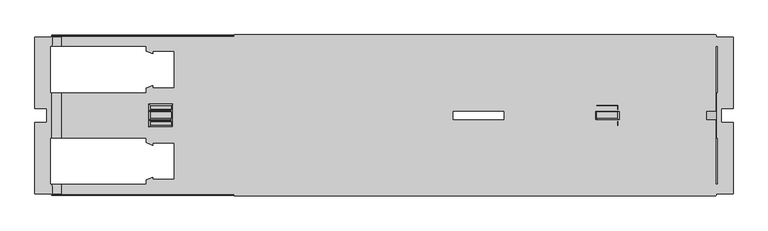
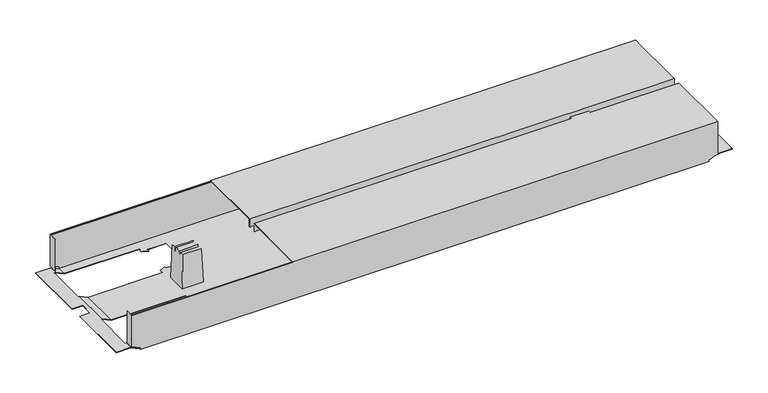
"""IFC4 building model written with IfcOpenShell, lengths in millimetres: furniture geometry."""

from ifc_helpers import new_model, si_unit, origin, place, context, project, spatial, triangles, source, transform, mapped, element, save


def furniture_b05474e1(model_context):
    return source(origin(), model_context, "Body", "Tessellation", [
        triangles([(-1197.9848923, -262.1618406, 526.9999909), (-1197.9848923, -262.1618406, 507.9999879), (-169.9848678, -262.1618406, 526.9999909), (-169.9848678, -262.1618406, 507.9999879), (-1197.9848923, -423.2618455, 526.9999909), (-169.9848678, -423.2618455, 526.9999909), (-1197.9848923, -423.2618455, 507.9999879), (-169.9848678, -423.2618455, 507.9999879), (-1197.9848923, -424.261839, 507.9999879), (-169.9848678, -424.261839, 507.9999879), (-1197.9848923, -424.261839, 528.0000026), (-169.9848678, -424.261839, 528.0000026), (-1197.9848923, -261.161838, 528.0000026), (-169.9848678, -261.161838, 528.0000026), (-1197.9848923, -261.161838, 507.9999879), (-169.9848678, -261.161838, 507.9999879), (-1197.9848923, -444.0618295, 526.9999909), (-1197.9848923, -444.0618295, 507.9999879), (-169.9848678, -444.0618295, 526.9999909), (-169.9848678, -444.0618295, 507.9999879), (-1197.9848923, -605.1618435, 526.9999909), (-169.9848678, -605.1618435, 526.9999909), (-1197.9848923, -605.1618435, 507.9999879), (-169.9848678, -605.1618435, 507.9999879), (-1197.9848923, -606.1618552, 507.9999879), (-169.9848678, -606.1618552, 507.9999879), (-1197.9848923, -606.1618552, 528.0000026), (-169.9848678, -606.1618552, 528.0000026), (-1197.9848923, -443.0618542, 528.0000026), (-169.9848678, -443.0618542, 528.0000026), (-1197.9848923, -443.0618542, 507.9999879), (-169.9848678, -443.0618542, 507.9999879), (-1565.4849169, -605.1618435, 432.000012), (-190.4848701, -605.1618435, 432.000012), (-1565.4849169, -605.1618435, 435.9999859), (-190.4848701, -605.1618435, 435.9999859), (-1585.4848589, -605.1618435, 445.3260155), (-170.4848645, -605.1618435, 445.3260155), (-1585.4848589, -605.1618435, 526.0000156), (-170.4848645, -605.1618435, 526.0000156), (-168.4848685, -605.1618435, 445.3260155), (-168.4848685, -605.1618435, 526.0000156), (-1587.4848822, -605.1618435, 526.0000156), (-1587.4848822, -605.1618435, 445.3260155), (-620.8848708, -394.4618411, 432.000012), (-430.5848586, -492.4618549, 432.000012), (-620.8848708, -472.8618521, 432.000012), (-430.5848586, -570.8618296, 432.000012), (-681.0848663, -483.661847, 432.000012), (-1325.3848921, -570.8618296, 432.000012), (-731.0848303, -483.661847, 432.000012), (-1325.3848921, -492.4618549, 432.000012), (-1325.3848921, -374.8618383, 432.000012), (-1385.5848513, -385.6618332, 432.000012), (-1371.7848215, -374.8618383, 432.000012), (-1385.5848513, -375.3778497, 432.000012), (-1371.7848215, -369.6618468, 432.000012), (-667.2848729, -394.4618411, 432.000012), (-681.0848663, -383.6618462, 432.000012), (-430.5848586, -296.4618454, 432.000012), (-430.5848586, -374.8618383, 432.000012), (-667.2848729, -399.6618507, 432.000012), (-681.0848663, -394.0438433, 432.000012), (-1325.3848921, -296.4618454, 432.000012), (-731.0848303, -383.6618462, 432.000012), (-667.2848729, -472.8618521, 432.000012), (-681.0848663, -473.2798499, 432.000012), (-667.2848729, -467.6618425, 432.000012), (-1385.5848513, -581.6618245, 432.000012), (-370.384863, -581.6618245, 432.000012), (-190.4848701, -601.6618392, 432.000012), (-189.4848675, -581.6618245, 432.000012), (-189.4848675, -601.6618392, 432.000012), (-1565.4849169, -601.6618392, 432.000012), (-1566.4848559, -581.6618245, 432.000012), (-1566.4848559, -601.6618392, 432.000012), (-1385.5848513, -571.3778592, 432.000012), (-1371.7848215, -570.8618296, 432.000012), (-384.1848746, -570.8618296, 432.000012), (-1371.7848215, -565.6618563, 432.000012), (-1385.5848513, -481.66186, 432.000012), (-1371.7848215, -492.4618549, 432.000012), (-1385.5848513, -491.9458253, 432.000012), (-1371.7848215, -497.6618282, 432.000012), (-1566.4848559, -481.66186, 432.000012), (-1566.4848559, -385.6618332, 432.000012), (-1371.7848215, -296.4618454, 432.000012), (-1385.5848513, -285.6618415, 432.000012), (-370.384863, -285.6618415, 432.000012), (-384.1848746, -296.4618454, 432.000012), (-370.384863, -295.945834, 432.000012), (-384.1848746, -301.6618369, 432.000012), (-1371.7848215, -301.6618369, 432.000012), (-1385.5848513, -295.945834, 432.000012), (-1566.4848559, -285.6618415, 432.000012), (-1565.4849169, -265.661845, 432.000012), (-1565.4849169, -262.1618406, 432.000012), (-190.4848701, -262.1618406, 432.000012), (-1566.4848559, -265.661845, 432.000012), (-190.4848701, -265.661845, 432.000012), (-189.4848675, -285.6618415, 432.000012), (-189.4848675, -265.661845, 432.000012), (-384.1848746, -374.8618383, 432.000012), (-370.384863, -385.6618332, 432.000012), (-370.384863, -481.66186, 432.000012), (-384.1848746, -492.4618549, 432.000012), (-370.384863, -491.9458253, 432.000012), (-384.1848746, -497.6618282, 432.000012), (-384.1848746, -369.6618468, 432.000012), (-370.384863, -375.3778497, 432.000012), (-189.4848675, -385.6618332, 432.000012), (-189.4848675, -481.66186, 432.000012), (-384.1848746, -565.6618563, 432.000012), (-370.384863, -571.3778592, 432.000012), (-620.8848708, -472.8618521, 432.9999873), (-430.5848586, -374.8618383, 432.9999873), (-620.8848708, -394.4618411, 432.9999873), (-430.5848586, -296.4618454, 432.9999873), (-681.0848663, -383.6618462, 432.9999873), (-1325.3848921, -296.4618454, 432.9999873), (-731.0848303, -383.6618462, 432.9999873), (-1325.3848921, -374.8618383, 432.9999873), (-1325.3848921, -492.4618549, 432.9999873), (-1385.5848513, -481.66186, 432.9999873), (-1371.7848215, -492.4618549, 432.9999873), (-1385.5848513, -491.9458253, 432.9999873), (-1371.7848215, -497.6618282, 432.9999873), (-667.2848729, -472.8618521, 432.9999873), (-681.0848663, -483.661847, 432.9999873), (-430.5848586, -570.8618296, 432.9999873), (-430.5848586, -492.4618549, 432.9999873), (-667.2848729, -467.6618425, 432.9999873), (-681.0848663, -473.2798499, 432.9999873), (-1325.3848921, -570.8618296, 432.9999873), (-731.0848303, -483.661847, 432.9999873), (-667.2848729, -394.4618411, 432.9999873), (-681.0848663, -394.0438433, 432.9999873), (-667.2848729, -399.6618507, 432.9999873), (-189.7068653, -285.6618415, 432.9999873), (-190.4848701, -265.661845, 432.9999873), (-370.384863, -285.6618415, 432.9999873), (-190.4848701, -263.1618431, 432.9999873), (-1385.5848513, -285.6618415, 432.9999873), (-1565.4849169, -263.1618431, 432.9999873), (-1565.4849169, -265.661845, 432.9999873), (-189.7068653, -265.661845, 432.9999873), (-1566.2629218, -265.661845, 432.9999873), (-1566.2629218, -285.6618415, 432.9999873), (-1385.5848513, -295.945834, 432.9999873), (-1371.7848215, -296.4618454, 432.9999873), (-384.1848746, -296.4618454, 432.9999873), (-1371.7848215, -301.6618369, 432.9999873), (-1385.5848513, -385.6618332, 432.9999873), (-1371.7848215, -374.8618383, 432.9999873), (-1385.5848513, -375.3778497, 432.9999873), (-1371.7848215, -369.6618468, 432.9999873), (-1566.2629218, -385.6618332, 432.9999873), (-1566.2629218, -481.66186, 432.9999873), (-1371.7848215, -570.8618296, 432.9999873), (-1385.5848513, -581.6618245, 432.9999873), (-370.384863, -581.6618245, 432.9999873), (-384.1848746, -570.8618296, 432.9999873), (-370.384863, -571.3778592, 432.9999873), (-384.1848746, -565.6618563, 432.9999873), (-1371.7848215, -565.6618563, 432.9999873), (-1385.5848513, -571.3778592, 432.9999873), (-1566.2629218, -581.6618245, 432.9999873), (-1565.4849169, -601.6618392, 432.9999873), (-1565.4849169, -604.1618319, 432.9999873), (-190.4848701, -604.1618319, 432.9999873), (-1566.2629218, -601.6618392, 432.9999873), (-190.4848701, -601.6618392, 432.9999873), (-189.7068653, -581.6618245, 432.9999873), (-189.7068653, -601.6618392, 432.9999873), (-384.1848746, -492.4618549, 432.9999873), (-370.384863, -481.66186, 432.9999873), (-370.384863, -385.6618332, 432.9999873), (-384.1848746, -374.8618383, 432.9999873), (-370.384863, -375.3778497, 432.9999873), (-384.1848746, -369.6618468, 432.9999873), (-384.1848746, -497.6618282, 432.9999873), (-370.384863, -491.9458253, 432.9999873), (-189.7068653, -481.66186, 432.9999873), (-189.7068653, -385.6618332, 432.9999873), (-384.1848746, -301.6618369, 432.9999873), (-370.384863, -295.945834, 432.9999873), (-1565.4849169, -604.1618319, 435.9999859), (-190.4848701, -604.1618319, 435.9999859), (-1585.4848589, -604.1618319, 445.3260155), (-170.4848645, -604.1618319, 445.3260155), (-170.4848645, -604.1618319, 511.9999981), (-169.4848619, -604.1618319, 445.3260155), (-169.4848619, -604.1618319, 526.0000156), (-170.4848645, -604.1618319, 526.0000156), (-1585.4848589, -604.1618319, 511.9999981), (-1586.4847979, -604.1618319, 445.3260155), (-1586.4847979, -604.1618319, 526.0000156), (-1585.4848589, -604.1618319, 526.0000156), (-1585.4848589, -264.1618457, 526.0000156), (-170.4848645, -264.1618457, 526.0000156), (-1585.4848589, -263.8688403, 526.7069856), (-170.4848645, -263.8688403, 526.7069856), (-1585.4848589, -263.1618431, 526.9999909), (-170.4848645, -263.1618431, 526.9999909), (-1585.4848589, -262.4548459, 526.7069856), (-170.4848645, -262.4548459, 526.7069856), (-1585.4848589, -262.1618406, 526.0000156), (-170.4848645, -262.1618406, 526.0000156), (-1585.4848589, -264.1618457, 511.9999981), (-170.4848645, -264.1618457, 511.9999981), (-1585.4848589, -263.1618431, 511.9999981), (-170.4848645, -263.1618431, 511.9999981), (-1585.4848589, -603.1618566, 511.9999981), (-170.4848645, -603.1618566, 511.9999981), (-1585.4848589, -603.1618566, 526.0000156), (-170.4848645, -603.1618566, 526.0000156), (-1585.4848589, -604.8688382, 526.7069856), (-170.4848645, -604.8688382, 526.7069856), (-1585.4848589, -604.1618319, 526.9999909), (-170.4848645, -604.1618319, 526.9999909), (-1585.4848589, -603.4548256, 526.7069856), (-170.4848645, -603.4548256, 526.7069856), (-1585.4848589, -262.1618406, 445.3260155), (-1587.4848822, -262.1618406, 445.3260155), (-1587.4848822, -262.1618406, 526.0000156), (-170.4848645, -262.1618406, 445.3260155), (-168.4848685, -262.1618406, 526.0000156), (-168.4848685, -262.1618406, 445.3260155), (-1565.4849169, -262.1618406, 435.9999859), (-190.4848701, -262.1618406, 435.9999859), (-170.4848645, -263.1618431, 445.3260155), (-1585.4848589, -263.1618431, 445.3260155), (-190.4848701, -263.1618431, 435.9999859), (-1565.4849169, -263.1618431, 435.9999859), (-169.4848619, -263.1618431, 445.3260155), (-169.4848619, -263.1618431, 526.0000156), (-170.4848645, -263.1618431, 526.0000156), (-1586.4847979, -263.1618431, 445.3260155), (-1586.4847979, -263.1618431, 526.0000156), (-1585.4848589, -263.1618431, 526.0000156), (-168.0398647, -481.66186, 441.999983), (-168.0398647, -385.6618332, 441.999983), (-165.3848669, -481.66186, 441.999983), (-165.3848669, -385.6618332, 441.999983), (-157.4848677, -418.6618356, 441.999983), (-165.3848669, -285.6618415, 441.999983), (-132.4848675, -265.661845, 441.999983), (-168.0398647, -265.661845, 441.999983), (-168.0398647, -285.6618415, 441.999983), (-132.4848675, -418.6618356, 441.999983), (-157.4848677, -448.6618394, 441.999983), (-165.3848669, -581.6618245, 441.999983), (-132.4848675, -601.6618392, 441.999983), (-168.0398647, -601.6618392, 441.999983), (-132.4848675, -448.6618394, 441.999983), (-168.0398647, -581.6618245, 441.999983), (-165.3848669, -481.66186, 442.9999947), (-165.3848669, -581.6618245, 442.9999947), (-168.2618625, -385.6618332, 442.9999947), (-168.2618625, -481.66186, 442.9999947), (-165.3848669, -285.6618415, 442.9999947), (-165.3848669, -385.6618332, 442.9999947), (-157.4848677, -418.6618356, 442.9999947), (-132.4848675, -265.661845, 442.9999947), (-168.2618625, -265.661845, 442.9999947), (-157.4848677, -448.6618394, 442.9999947), (-132.4848675, -601.6618392, 442.9999947), (-168.2618625, -601.6618392, 442.9999947), (-168.2618625, -581.6618245, 442.9999947), (-132.4848675, -448.6618394, 442.9999947), (-132.4848675, -418.6618356, 442.9999947), (-168.2618625, -285.6618415, 442.9999947), (-169.4848619, -282.1618462, 526.0000156), (-169.4848619, -282.1618462, 445.3260155), (-168.4848685, -282.1618462, 445.3260155), (-168.4848685, -282.1618462, 526.0000156), (-169.4848619, -585.1618289, 445.3260155), (-169.4848619, -585.1618289, 526.0000156), (-168.4848685, -585.1618289, 445.3260155), (-168.4848685, -585.1618289, 526.0000156), (-1587.4848822, -585.1618289, 526.0000156), (-1587.4848822, -585.1618289, 445.3260155), (-1586.4847979, -585.1618289, 526.0000156), (-1586.4847979, -585.1618289, 445.3260155), (-1587.4848822, -282.1618462, 445.3260155), (-1587.4848822, -282.1618462, 526.0000156), (-1586.4847979, -282.1618462, 445.3260155), (-1586.4847979, -282.1618462, 526.0000156), (-1587.7078337, -385.6618332, 442.9999947), (-1587.7078337, -481.66186, 442.9999947), (-1587.9299132, -481.66186, 441.999983), (-1587.9299132, -385.6618332, 441.999983), (-1590.5848383, -581.6618245, 441.999983), (-1598.4849375, -448.6618394, 441.999983), (-1590.5848383, -481.66186, 441.999983), (-1598.4849375, -418.6618356, 441.999983), (-1590.5848383, -385.6618332, 441.999983), (-1590.5848383, -285.6618415, 441.999983), (-1623.484865, -265.661845, 441.999983), (-1587.9299132, -265.661845, 441.999983), (-1587.9299132, -581.6618245, 441.999983), (-1587.9299132, -601.6618392, 441.999983), (-1623.484865, -601.6618392, 441.999983), (-1623.484865, -448.6618394, 441.999983), (-1623.484865, -418.6618356, 441.999983), (-1587.9299132, -285.6618415, 441.999983), (-1623.484865, -448.6618394, 442.9999947), (-1623.484865, -601.6618392, 442.9999947), (-1598.4849375, -448.6618394, 442.9999947), (-1590.5848383, -581.6618245, 442.9999947), (-1590.5848383, -481.66186, 442.9999947), (-1587.7078337, -601.6618392, 442.9999947), (-1587.7078337, -581.6618245, 442.9999947), (-1590.5848383, -385.6618332, 442.9999947), (-1598.4849375, -418.6618356, 442.9999947), (-1590.5848383, -285.6618415, 442.9999947), (-1623.484865, -265.661845, 442.9999947), (-1587.7078337, -265.661845, 442.9999947), (-1587.7078337, -285.6618415, 442.9999947), (-1623.484865, -418.6618356, 442.9999947), (-378.4528662, -440.5628425, 519.5000127), (-378.1038686, -442.5618484, 509.5000053), (-378.4528662, -426.7608507, 519.5000127), (-378.1038686, -424.7618448, 509.5000053), (-375.4848606, -458.161841, 433.4999931), (-375.4848606, -409.1618341, 433.4999931), (-378.1038686, -444.5618353, 509.5000053), (-378.4178574, -455.2288441, 518.500001), (-378.4178574, -446.3608534, 518.500001), (-378.1038686, -422.7618397, 509.5000053), (-378.4178574, -412.0948491, 518.500001), (-378.4178574, -420.9628398, 518.500001), (-423.516867, -440.5628425, 519.5000127), (-423.516867, -426.7608507, 519.5000127), (-423.8658646, -442.5618484, 509.5000053), (-423.8658646, -424.7618448, 509.5000053), (-426.4848545, -458.161841, 433.4999931), (-426.4848545, -409.1618341, 433.4999931), (-423.8658646, -422.7618397, 509.5000053), (-423.5518576, -412.0948491, 518.500001), (-423.5518576, -420.9628398, 518.500001), (-423.8658646, -444.5618353, 509.5000053), (-423.5518576, -455.2288441, 518.500001), (-423.5518576, -446.3608534, 518.500001), (-1332.45292, -440.5628425, 519.5000127), (-1332.1038134, -442.5618484, 509.5000053), (-1332.45292, -426.7608507, 519.5000127), (-1332.1038134, -424.7618448, 509.5000053), (-1329.4849326, -458.161841, 433.4999931), (-1329.4849326, -409.1618341, 433.4999931), (-1332.1038134, -444.5618353, 509.5000053), (-1332.4178931, -455.2288441, 518.500001), (-1332.4178931, -446.3608534, 518.500001), (-1332.1038134, -422.7618397, 509.5000053), (-1332.4178931, -412.0948491, 518.500001), (-1332.4178931, -420.9628398, 518.500001), (-1377.5168845, -440.5628425, 519.5000127), (-1377.5168845, -426.7608507, 519.5000127), (-1377.8658457, -442.5618484, 509.5000053), (-1377.8658457, -424.7618448, 509.5000053), (-1380.4848719, -458.161841, 433.4999931), (-1380.4848719, -409.1618341, 433.4999931), (-1377.8658457, -422.7618397, 509.5000053), (-1377.5519114, -412.0948491, 518.500001), (-1377.5519114, -420.9628398, 518.500001), (-1377.8658457, -444.5618353, 509.5000053), (-1377.5519114, -455.2288441, 518.500001), (-1377.5519114, -446.3608534, 518.500001)], [[1, 2, 3], [3, 2, 4], [5, 1, 6], [6, 1, 3], [7, 5, 8], [8, 5, 6], [9, 7, 10], [10, 7, 8], [11, 9, 12], [12, 9, 10], [13, 11, 14], [14, 11, 12], [15, 13, 16], [16, 13, 14], [2, 15, 4], [4, 15, 16], [2, 1, 15], [15, 1, 13], [13, 1, 5], [13, 5, 11], [11, 5, 9], [9, 5, 7], [4, 16, 3], [14, 3, 16], [6, 3, 14], [12, 6, 14], [10, 6, 12], [10, 8, 6], [17, 18, 19], [19, 18, 20], [21, 17, 22], [22, 17, 19], [23, 21, 24], [24, 21, 22], [25, 23, 26], [26, 23, 24], [27, 25, 28], [28, 25, 26], [29, 27, 30], [30, 27, 28], [31, 29, 32], [32, 29, 30], [18, 31, 20], [20, 31, 32], [18, 17, 31], [31, 17, 29], [29, 17, 21], [29, 21, 27], [27, 21, 25], [25, 21, 23], [20, 32, 19], [30, 19, 32], [22, 19, 30], [28, 22, 30], [26, 22, 28], [26, 24, 22], [33, 34, 35], [35, 34, 36], [37, 35, 36], [37, 36, 38], [37, 38, 39], [39, 38, 40], [40, 38, 41], [40, 41, 42], [39, 43, 37], [37, 43, 44], [45, 46, 47], [47, 46, 48], [49, 47, 48], [50, 49, 48], [49, 50, 51], [51, 50, 52], [51, 52, 53], [53, 52, 54], [53, 54, 55], [55, 54, 56], [57, 55, 56], [45, 58, 59], [60, 45, 59], [45, 60, 61], [62, 63, 58], [58, 63, 59], [60, 59, 64], [64, 59, 65], [64, 65, 53], [53, 65, 51], [47, 49, 66], [66, 49, 67], [68, 66, 67], [33, 69, 34], [34, 69, 70], [34, 70, 71], [71, 70, 72], [71, 72, 73], [33, 74, 69], [69, 74, 75], [75, 74, 76], [69, 77, 78], [69, 78, 50], [69, 50, 70], [70, 50, 48], [70, 48, 79], [77, 80, 78], [54, 52, 81], [81, 52, 82], [81, 82, 83], [83, 82, 84], [85, 86, 81], [81, 86, 54], [64, 87, 88], [89, 64, 88], [64, 89, 60], [60, 89, 90], [90, 89, 91], [92, 90, 91], [93, 94, 87], [87, 94, 88], [95, 96, 88], [88, 96, 97], [98, 88, 97], [95, 99, 96], [88, 98, 89], [89, 98, 100], [89, 100, 101], [101, 100, 102], [61, 103, 104], [61, 104, 105], [61, 105, 46], [46, 105, 106], [106, 105, 107], [108, 106, 107], [109, 110, 103], [103, 110, 104], [111, 112, 104], [104, 112, 105], [113, 114, 79], [79, 114, 70], [45, 61, 46], [115, 116, 117], [117, 116, 118], [119, 117, 118], [120, 119, 118], [119, 120, 121], [121, 120, 122], [121, 122, 123], [123, 122, 124], [123, 124, 125], [125, 124, 126], [127, 125, 126], [115, 128, 129], [130, 115, 129], [115, 130, 131], [132, 133, 128], [128, 133, 129], [130, 129, 134], [134, 129, 135], [134, 135, 123], [123, 135, 121], [117, 119, 136], [136, 119, 137], [138, 136, 137], [139, 140, 141], [141, 140, 142], [143, 141, 142], [144, 143, 142], [143, 144, 145], [139, 146, 140], [147, 148, 145], [145, 148, 143], [143, 149, 150], [143, 150, 120], [143, 120, 141], [141, 120, 118], [141, 118, 151], [149, 152, 150], [124, 122, 153], [153, 122, 154], [153, 154, 155], [155, 154, 156], [157, 158, 153], [153, 158, 124], [134, 159, 160], [161, 134, 160], [134, 161, 130], [130, 161, 162], [162, 161, 163], [164, 162, 163], [165, 166, 159], [159, 166, 160], [167, 168, 160], [160, 168, 169], [170, 160, 169], [167, 171, 168], [160, 170, 161], [161, 170, 172], [161, 172, 173], [173, 172, 174], [131, 175, 176], [131, 176, 177], [131, 177, 116], [116, 177, 178], [178, 177, 179], [180, 178, 179], [181, 182, 175], [175, 182, 176], [183, 184, 176], [176, 184, 177], [185, 186, 151], [151, 186, 141], [115, 131, 116], [169, 187, 170], [170, 187, 188], [188, 187, 189], [190, 188, 189], [190, 189, 191], [190, 191, 192], [192, 191, 193], [193, 191, 194], [191, 189, 195], [195, 189, 196], [197, 195, 196], [197, 198, 195], [199, 200, 201], [201, 200, 202], [201, 202, 203], [203, 202, 204], [203, 204, 205], [205, 204, 206], [205, 206, 207], [207, 206, 208], [209, 210, 199], [199, 210, 200], [211, 212, 209], [209, 212, 210], [213, 214, 195], [195, 214, 191], [215, 216, 213], [213, 216, 214], [39, 40, 217], [217, 40, 218], [217, 218, 219], [219, 218, 220], [219, 220, 221], [221, 220, 222], [221, 222, 215], [215, 222, 216], [208, 223, 207], [207, 223, 224], [207, 224, 225], [223, 208, 226], [226, 208, 227], [226, 227, 228], [223, 226, 229], [229, 226, 230], [229, 230, 97], [97, 230, 98], [231, 232, 233], [233, 232, 234], [233, 234, 144], [232, 231, 212], [212, 231, 235], [236, 212, 235], [236, 237, 212], [212, 211, 232], [232, 211, 238], [238, 211, 239], [239, 211, 240], [144, 142, 233], [45, 47, 117], [117, 47, 115], [47, 66, 115], [115, 66, 128], [133, 132, 67], [67, 132, 68], [67, 49, 133], [133, 49, 129], [49, 51, 129], [129, 51, 135], [58, 45, 136], [136, 45, 117], [137, 119, 63], [63, 119, 59], [63, 62, 137], [137, 62, 138], [65, 59, 121], [121, 59, 119], [62, 58, 138], [138, 58, 136], [51, 65, 135], [135, 65, 121], [132, 128, 68], [68, 128, 66], [46, 106, 131], [131, 106, 175], [106, 108, 175], [175, 108, 181], [48, 46, 130], [130, 46, 131], [108, 107, 181], [181, 107, 182], [107, 105, 182], [182, 105, 176], [70, 114, 161], [161, 114, 163], [114, 113, 163], [163, 113, 164], [113, 79, 164], [164, 79, 162], [79, 48, 162], [162, 48, 130], [109, 103, 180], [180, 103, 178], [103, 61, 178], [178, 61, 116], [104, 110, 177], [177, 110, 179], [110, 109, 179], [179, 109, 180], [61, 60, 116], [116, 60, 118], [60, 90, 118], [118, 90, 151], [91, 89, 186], [186, 89, 141], [186, 185, 91], [91, 185, 92], [185, 151, 92], [92, 151, 90], [241, 242, 243], [243, 242, 244], [243, 244, 245], [245, 244, 246], [245, 246, 247], [247, 246, 248], [248, 246, 249], [247, 250, 245], [245, 251, 243], [252, 243, 251], [253, 252, 251], [252, 253, 254], [251, 255, 253], [254, 256, 252], [243, 252, 257], [257, 252, 258], [111, 242, 112], [112, 242, 241], [259, 184, 260], [260, 184, 183], [246, 244, 261], [261, 244, 262], [260, 257, 259], [259, 257, 262], [262, 257, 263], [261, 262, 263], [264, 261, 263], [261, 264, 265], [263, 257, 266], [266, 257, 258], [266, 258, 267], [267, 258, 268], [268, 258, 269], [267, 270, 266], [263, 271, 264], [265, 272, 261], [273, 236, 274], [274, 236, 235], [275, 228, 276], [276, 228, 227], [102, 248, 101], [101, 248, 249], [265, 146, 272], [272, 146, 139], [264, 271, 247], [247, 271, 250], [271, 263, 250], [250, 263, 245], [270, 267, 255], [255, 267, 253], [255, 251, 270], [270, 251, 266], [263, 266, 245], [245, 266, 251], [72, 256, 73], [73, 256, 254], [174, 268, 173], [173, 268, 269], [277, 192, 278], [278, 192, 193], [277, 278, 279], [279, 278, 280], [41, 279, 42], [42, 279, 280], [277, 279, 192], [41, 192, 279], [192, 41, 38], [38, 190, 192], [275, 276, 274], [274, 276, 273], [81, 83, 124], [124, 83, 126], [83, 84, 126], [126, 84, 127], [82, 52, 125], [125, 52, 123], [52, 50, 123], [123, 50, 134], [50, 78, 134], [134, 78, 159], [166, 165, 77], [77, 165, 80], [77, 69, 166], [166, 69, 160], [78, 80, 159], [159, 80, 165], [84, 82, 127], [127, 82, 125], [53, 55, 122], [122, 55, 154], [55, 57, 154], [154, 57, 156], [57, 56, 156], [156, 56, 155], [152, 149, 93], [93, 149, 94], [93, 87, 152], [152, 87, 150], [87, 64, 150], [150, 64, 120], [88, 94, 143], [143, 94, 149], [56, 54, 155], [155, 54, 153], [64, 53, 120], [120, 53, 122], [43, 281, 44], [44, 281, 282], [283, 197, 284], [284, 197, 196], [224, 285, 225], [225, 285, 286], [287, 285, 238], [224, 238, 285], [223, 238, 224], [223, 232, 238], [239, 288, 238], [238, 288, 287], [157, 289, 158], [158, 289, 290], [85, 291, 86], [86, 291, 292], [293, 294, 295], [295, 294, 296], [295, 296, 297], [298, 297, 296], [299, 298, 296], [298, 299, 300], [301, 302, 293], [293, 302, 303], [294, 293, 303], [294, 303, 304], [296, 305, 299], [300, 306, 298], [297, 292, 295], [295, 292, 291], [307, 308, 309], [309, 308, 310], [309, 310, 311], [308, 312, 310], [310, 312, 313], [290, 289, 311], [311, 289, 314], [311, 314, 315], [315, 314, 316], [315, 316, 317], [317, 316, 318], [318, 316, 319], [317, 320, 315], [315, 309, 311], [297, 298, 314], [314, 298, 316], [293, 295, 310], [310, 295, 311], [283, 284, 281], [281, 284, 282], [312, 171, 313], [313, 171, 167], [143, 148, 88], [88, 148, 95], [95, 148, 306], [319, 306, 148], [306, 319, 316], [316, 298, 306], [145, 96, 147], [147, 96, 99], [300, 147, 99], [299, 317, 300], [318, 300, 317], [147, 300, 318], [140, 100, 142], [98, 142, 100], [230, 142, 98], [230, 233, 142], [248, 102, 146], [146, 102, 100], [146, 100, 140], [146, 265, 248], [264, 248, 265], [248, 264, 247], [177, 184, 104], [104, 184, 111], [111, 184, 242], [259, 242, 184], [242, 259, 262], [262, 244, 242], [257, 260, 241], [183, 241, 260], [241, 183, 112], [112, 183, 105], [105, 183, 176], [241, 243, 257], [161, 173, 70], [70, 173, 72], [72, 173, 256], [269, 256, 173], [256, 269, 258], [258, 252, 256], [267, 268, 254], [174, 254, 268], [254, 174, 73], [73, 174, 71], [71, 174, 172], [254, 253, 267], [168, 74, 169], [33, 169, 74], [35, 169, 33], [35, 187, 169], [95, 306, 99], [99, 306, 300], [76, 302, 75], [75, 302, 301], [147, 318, 148], [148, 318, 319], [297, 314, 292], [292, 314, 289], [157, 292, 289], [153, 54, 157], [86, 157, 54], [292, 157, 86], [293, 310, 301], [301, 310, 313], [167, 301, 313], [160, 69, 167], [75, 167, 69], [301, 167, 75], [312, 302, 171], [76, 171, 302], [171, 76, 74], [312, 308, 302], [302, 308, 303], [74, 168, 171], [304, 303, 307], [307, 303, 308], [307, 309, 304], [304, 309, 294], [309, 315, 294], [294, 315, 296], [315, 320, 296], [296, 320, 305], [320, 317, 305], [305, 317, 299], [124, 158, 81], [81, 158, 85], [85, 158, 291], [290, 291, 158], [291, 290, 311], [311, 295, 291], [35, 37, 187], [187, 37, 189], [189, 37, 196], [44, 196, 37], [282, 196, 44], [282, 284, 196], [283, 281, 197], [43, 197, 281], [39, 197, 43], [39, 198, 197], [39, 217, 198], [198, 217, 219], [198, 219, 221], [221, 215, 198], [195, 198, 213], [213, 198, 215], [214, 216, 191], [191, 216, 194], [216, 222, 194], [194, 222, 220], [194, 220, 218], [218, 40, 194], [194, 40, 193], [193, 40, 42], [280, 193, 42], [280, 278, 193], [38, 36, 190], [190, 36, 188], [188, 36, 170], [34, 170, 36], [71, 170, 34], [71, 172, 170], [246, 261, 249], [249, 261, 272], [139, 249, 272], [141, 89, 139], [101, 139, 89], [249, 139, 101], [230, 226, 233], [233, 226, 231], [231, 226, 235], [228, 235, 226], [275, 235, 228], [275, 274, 235], [273, 276, 236], [227, 236, 276], [208, 236, 227], [208, 237, 236], [208, 206, 237], [237, 206, 204], [237, 204, 202], [202, 200, 237], [212, 237, 210], [210, 237, 200], [209, 199, 211], [211, 199, 240], [199, 201, 240], [240, 201, 203], [240, 203, 205], [205, 207, 240], [240, 207, 239], [225, 239, 207], [286, 239, 225], [286, 288, 239], [286, 285, 288], [288, 285, 287], [223, 229, 232], [232, 229, 234], [234, 229, 144], [97, 144, 229], [96, 144, 97], [96, 145, 144], [323, 321, 322], [323, 322, 324], [324, 322, 325], [324, 325, 326], [322, 327, 325], [325, 327, 328], [328, 327, 329], [324, 326, 330], [331, 330, 326], [330, 331, 332], [335, 333, 334], [335, 334, 336], [337, 335, 336], [337, 336, 338], [338, 336, 339], [338, 339, 340], [340, 339, 341], [335, 337, 342], [343, 342, 337], [342, 343, 344], [321, 323, 333], [333, 323, 334], [322, 321, 333], [322, 333, 335], [334, 323, 324], [334, 324, 336], [324, 330, 336], [336, 330, 339], [330, 332, 341], [330, 341, 339], [332, 331, 341], [341, 331, 340], [340, 331, 326], [340, 326, 338], [327, 322, 342], [342, 322, 335], [344, 329, 327], [344, 327, 342], [328, 329, 343], [343, 329, 344], [325, 328, 343], [325, 343, 337], [326, 325, 338], [338, 325, 337], [347, 345, 346], [347, 346, 348], [348, 346, 349], [348, 349, 350], [346, 351, 349], [349, 351, 352], [352, 351, 353], [348, 350, 354], [355, 354, 350], [354, 355, 356], [359, 357, 358], [359, 358, 360], [361, 359, 360], [361, 360, 362], [362, 360, 363], [362, 363, 364], [364, 363, 365], [359, 361, 366], [367, 366, 361], [366, 367, 368], [345, 347, 357], [357, 347, 358], [346, 345, 357], [346, 357, 359], [358, 347, 348], [358, 348, 360], [348, 354, 360], [360, 354, 363], [354, 356, 365], [354, 365, 363], [356, 355, 365], [365, 355, 364], [364, 355, 350], [364, 350, 362], [351, 346, 366], [366, 346, 359], [368, 353, 351], [368, 351, 366], [352, 353, 367], [367, 353, 368], [349, 352, 367], [349, 367, 361], [350, 349, 362], [362, 349, 361]]),
    ])


if __name__ == "__main__":
    model = new_model("IFC4")
    model_context = context("Model", 3, world=origin())
    ifc_project = project(units=[si_unit("LENGTHUNIT", "METRE", prefix="MILLI")], contexts=[model_context])
    site = spatial("IfcSite", under=ifc_project)
    building = spatial("IfcBuilding", under=site)
    placement = place(None, origin())
    furniture_shape = furniture_b05474e1(model_context)
    element("IfcFurniture", 1, at=placement, inside=building, context=model_context, shape_type="MappedRepresentation", body=[
        mapped(furniture_shape, transform((0.0, 0.0, 0.0), x_axis=(1.0, 0.0, 0.0), y_axis=(0.0, 1.0, 0.0), z_axis=(0.0, 0.0, 1.0))),
    ])
    save(model, "model.ifc")
